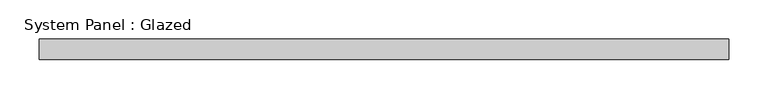
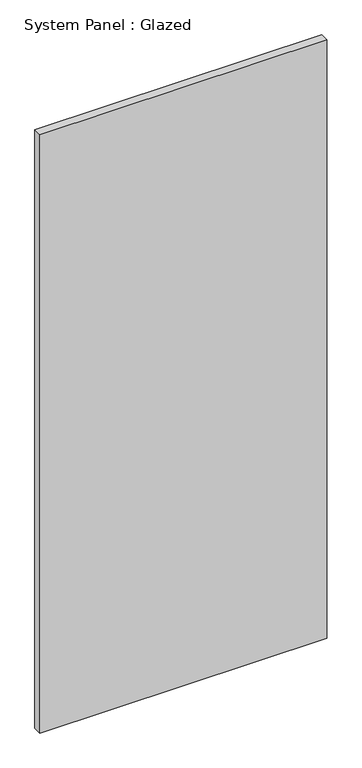
"""IFC4 building model written with IfcOpenShell, lengths in millimetres: plate geometry, System Panel : Glazed."""

from ifc_helpers import new_model, si_unit, origin, origin_with_axes, place, context, project, spatial, polyline, outline, extrude, source, transform, mapped, element, save


def system_panel_glazed_e152a49e(model_context):
    return source(origin(), model_context, "Body", "SweptSolid", [
        extrude(outline(polyline([(436.2914634, 19.05), (-436.2914634, 19.05), (-436.2914634, 44.45), (436.2914634, 44.45), (436.2914634, 19.05)])), origin_with_axes(), (0.0, 0.0, 1.0), 1924.05),
    ])


if __name__ == "__main__":
    model = new_model("IFC4")
    model_context = context("Model", 3, world=origin())
    ifc_project = project(units=[si_unit("LENGTHUNIT", "METRE", prefix="MILLI")], contexts=[model_context])
    site = spatial("IfcSite", under=ifc_project)
    building = spatial("IfcBuilding", under=site)
    placement = place(None, origin())
    system_panel_glazed_shape = system_panel_glazed_e152a49e(model_context)
    element("IfcPlate", 1, ObjectType="System Panel : Glazed", at=placement, inside=building, context=model_context, shape_type="MappedRepresentation", body=[
        mapped(system_panel_glazed_shape, transform((0.0, 0.0, 0.0), x_axis=(1.0, 0.0, 0.0), y_axis=(0.0, 1.0, 0.0), z_axis=(0.0, 0.0, 1.0))),
    ])
    save(model, "model.ifc")
